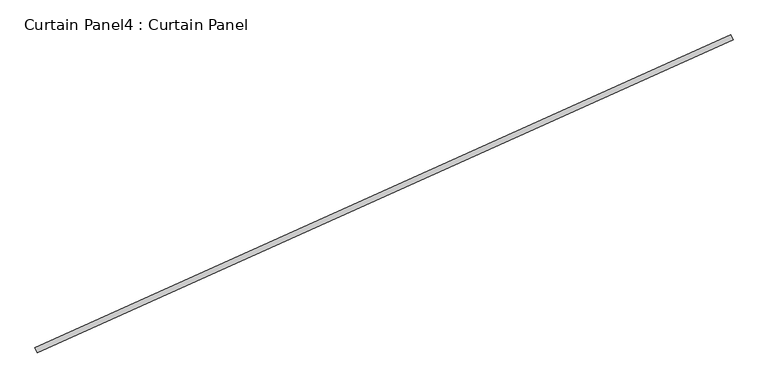
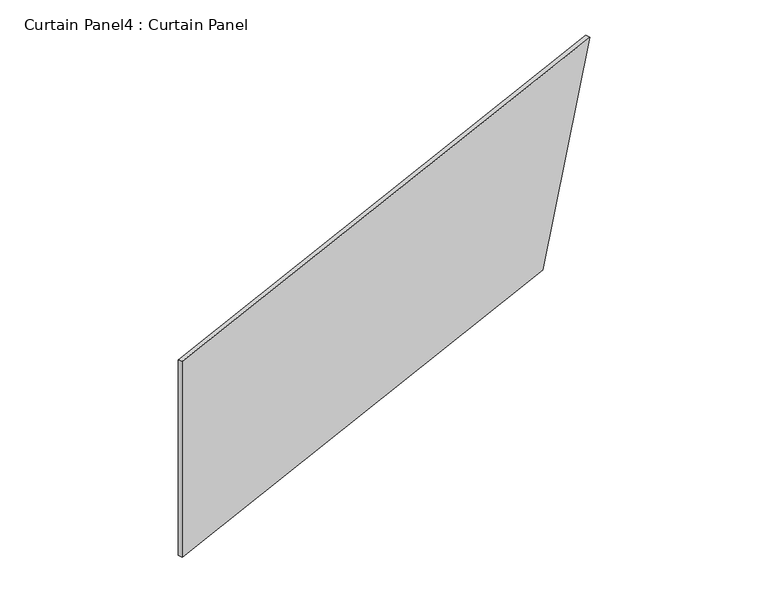
"""IFC4 building model written with IfcOpenShell, lengths in millimetres: plate geometry, Curtain Panel4 : Curtain Panel."""

from ifc_helpers import new_model, si_unit, frame, origin, place, context, project, spatial, polyline, outline, extrude, source, transform, mapped, element, save


def curtain_panel4_curtain_panel_d0995b84(model_context):
    return source(origin(), model_context, "Body", "SweptSolid", [
        extrude(outline(polyline([(0.0, 0.0), (0.0, -3147.4041175), (-1219.2, -3558.974257), (-1219.2, 0.0), (0.0, 0.0)])), frame((36557.5770857, -12836.3437505, 7315.2), z_axis=(-0.4102319712783583, 0.9119812112873117, 0.0), x_axis=(0.0, 0.0, -1.0)), (0.0, 0.0, 1.0), 25.4),
    ])


if __name__ == "__main__":
    model = new_model("IFC4")
    model_context = context("Model", 3, world=origin())
    ifc_project = project(units=[si_unit("LENGTHUNIT", "METRE", prefix="MILLI")], contexts=[model_context])
    site = spatial("IfcSite", under=ifc_project)
    building = spatial("IfcBuilding", under=site)
    placement = place(None, origin())
    curtain_panel4_curtain_panel_shape = curtain_panel4_curtain_panel_d0995b84(model_context)
    element("IfcPlate", 1, ObjectType="Curtain Panel4 : Curtain Panel", at=placement, inside=building, context=model_context, shape_type="MappedRepresentation", body=[
        mapped(curtain_panel4_curtain_panel_shape, transform((0.0, 0.0, 0.0), x_axis=(1.0, 0.0, 0.0), y_axis=(0.0, 1.0, 0.0), z_axis=(0.0, 0.0, 1.0))),
    ])
    save(model, "model.ifc")
